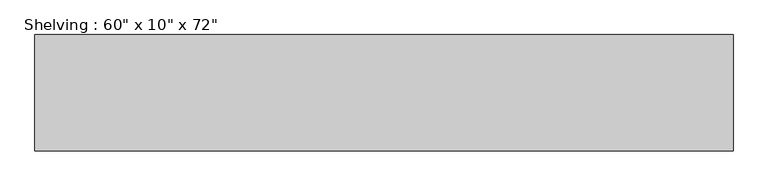
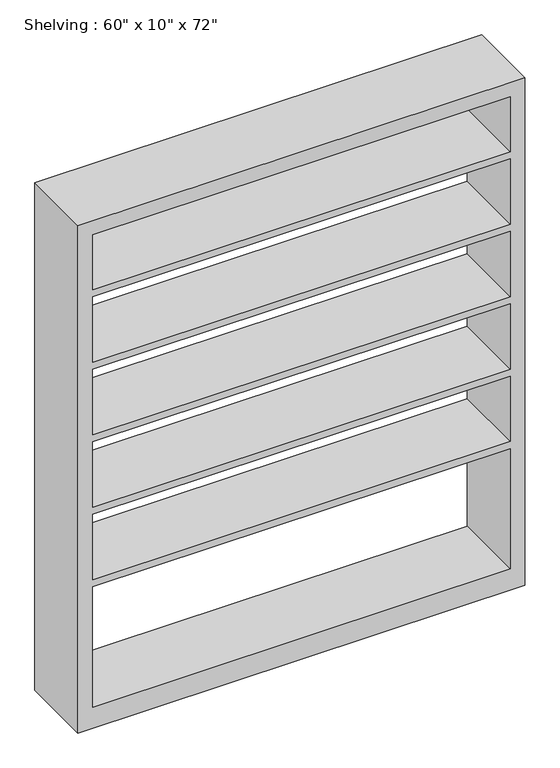
"""IFC4 building model written with IfcOpenShell, lengths in millimetres: furniture geometry."""

from ifc_helpers import new_model, si_unit, frame, origin, place, context, project, spatial, polyline, outline, extrude, source, transform, mapped, element, save


def furniture_90063f1c(model_context):
    return source(origin(), model_context, "Body", "SweptSolid", [
        extrude(outline(polyline([(0.0, 762.0), (1828.8, 762.0), (1828.8, -762.0), (0.0, -762.0), (0.0, 762.0)]), holes=[polyline([(1778.0, 711.2), (1580.2428571, 711.2), (1580.2428571, -711.2), (1778.0, -711.2), (1778.0, 711.2)]), polyline([(76.2, 711.2), (76.2, -711.2), (509.8142857, -711.2), (509.8142857, 711.2), (76.2, 711.2)]), polyline([(1057.7285714, -711.2), (1293.5857143, -711.2), (1293.5857143, 711.2), (1057.7285714, 711.2), (1057.7285714, -711.2)]), polyline([(1554.8428571, 711.2), (1318.9857143, 711.2), (1318.9857143, -711.2), (1554.8428571, -711.2), (1554.8428571, 711.2)]), polyline([(1032.3285714, 711.2), (796.4714286, 711.2), (796.4714286, -711.2), (1032.3285714, -711.2), (1032.3285714, 711.2)]), polyline([(771.0714286, 711.2), (535.2142857, 711.2), (535.2142857, -711.2), (771.0714286, -711.2), (771.0714286, 711.2)])]), frame((0.0, 177.8, 0.0), z_axis=(0.0, 1.0, 0.0), x_axis=(0.0, 0.0, 1.0)), (0.0, 0.0, 1.0), 254.0),
    ])


if __name__ == "__main__":
    model = new_model("IFC4")
    model_context = context("Model", 3, world=origin())
    ifc_project = project(units=[si_unit("LENGTHUNIT", "METRE", prefix="MILLI")], contexts=[model_context])
    site = spatial("IfcSite", under=ifc_project)
    building = spatial("IfcBuilding", under=site)
    placement = place(None, origin())
    furniture_shape = furniture_90063f1c(model_context)
    element("IfcFurniture", 1, ObjectType="Shelving : 60\" x 10\" x 72\"", at=placement, inside=building, context=model_context, shape_type="MappedRepresentation", body=[
        mapped(furniture_shape, transform((0.0, 0.0, 0.0), x_axis=(1.0, 0.0, 0.0), y_axis=(0.0, 1.0, 0.0), z_axis=(0.0, 0.0, 1.0))),
    ])
    save(model, "model.ifc")
